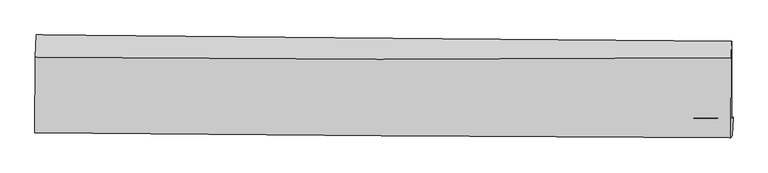
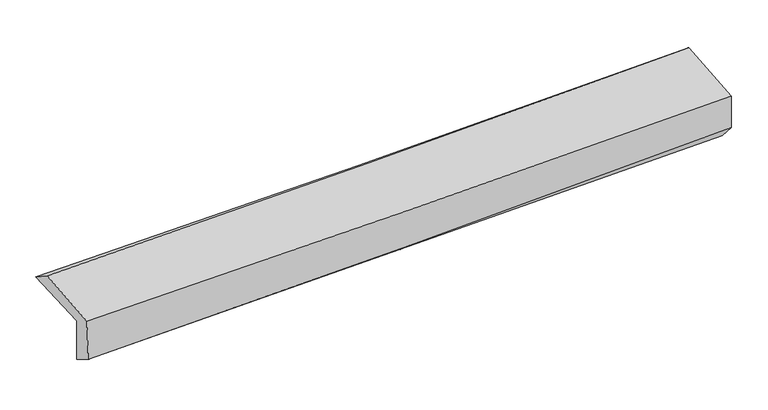
"""IFC4 building model written with IfcOpenShell, lengths in millimetres: proxy geometry."""

from ifc_helpers import new_model, si_unit, frame, origin, place, context, project, spatial, source, transform, mapped, element, save
from ifc_brep_helpers import plane_surface, spline_curve, spline_surface, advanced_brep


def generic_models_335ae71f(model_context):
    return source(origin(), model_context, "Body", "AdvancedBrep", [
        advanced_brep(
        [(-3026.0895795, -1767.4856939, 1953.3907109), (-3021.2313658, -1095.342239, 1979.1087942), (3008.6251064, -1152.2074647, 2132.9099513), (3004.7849577, -1816.5717253, 2098.4055173), (-3011.8319438, -1739.9226091, 1549.596919), (3018.5311803, -1810.2349225, 1704.5011752), (-3017.8334374, -1939.4281243, 1673.2653203), (3011.0463846, -1970.5868074, 1884.7531956), (-3031.102217, -1943.0639019, 2054.478364), (2999.5932631, -1987.4346544, 2210.4240664), (-3027.4553079, -1289.3915885, 2110.5276321), (3002.6161112, -1293.7064435, 2274.836599)],
        [
            (0, 1),
            (1, 2, spline_curve(3, [(-3021.2313658, -1095.342239, 1979.1087942), (-2016.128617603, -1105.601913981, 2001.925415698), (-1011.053657373, -1115.470827988, 2026.151495845), (998.898492375, -1134.425792425, 2077.41894699), (2003.775689071, -1143.511953847, 2104.459919251), (3008.6251064, -1152.2074647, 2132.9099513)], [4, 2, 4], [0.0, 9.89647850846393, 19.79155684420521])),
            (2, 3),
            (3, 0, spline_curve(3, [(3004.7849577, -1816.5717253, 2098.4055173), (1999.896314301, -1804.545491499, 2068.589307078), (994.91467604, -1794.442025223, 2041.597289995), (-1015.376809845, -1778.079470393, 1993.258222011), (-2020.686683975, -1771.820926142, 1971.911970099), (-3026.0895795, -1767.4856939, 1953.3907109)], [4, 2, 4], [0.0, 9.89507833574128, 19.79155684420521])),
            (4, 0),
            (3, 5),
            (5, 4, spline_curve(3, [(3018.5311803, -1810.2349225, 1704.5011752), (2013.901956037, -1801.584505436, 1666.318000737), (1009.092648398, -1791.400460516, 1634.318201387), (-1001.028342341, -1767.963457011, 1582.681699339), (-2006.340075885, -1754.710064047, 1563.046746857), (-3011.8319438, -1739.9226091, 1549.596919)], [4, 2, 4], [0.0, 9.895707396191058, 19.792815054118037])),
            (6, 4),
            (5, 7),
            (7, 6, spline_curve(3, [(3011.0463846, -1970.5868074, 1884.7531956), (2006.812684365, -1964.948054268, 1833.836901953), (1002.324743818, -1959.532288959, 1790.755458256), (-1007.30179178, -1949.145998052, 1720.257282082), (-2012.440458169, -1944.175535958, 1692.842767624), (-3017.8334374, -1939.4281243, 1673.2653203)], [4, 2, 4], [0.0, 9.895567212787926, 19.79253466747555])),
            (8, 6),
            (7, 9),
            (9, 8, spline_curve(3, [(2999.5932631, -1987.4346544, 2210.4240664), (1994.700355869, -1981.684139047, 2178.467760509), (989.731504634, -1975.11163837, 2149.494840835), (-1020.500300417, -1960.321619896, 2097.512095596), (-2025.763276244, -1952.103869896, 2074.503114492), (-3031.102217, -1943.0639019, 2054.478364)], [4, 2, 4], [0.0, 9.895610981566545, 19.792622211226153])),
            (10, 8),
            (9, 11),
            (11, 10, spline_curve(3, [(3002.6161112, -1293.7064435, 2274.836599), (1997.752566183, -1301.569305844, 2242.398012934), (992.850394945, -1305.141495124, 2212.487095795), (-1017.173400211, -1303.704424209, 2157.716724623), (-2022.295035614, -1298.693950363, 2132.857986333), (-3027.4553079, -1289.3915885, 2110.5276321)], [4, 2, 4], [0.0, 9.895310253250504, 19.792020712040433])),
            (1, 10),
            (11, 2),
        ],
        [
            spline_surface(3, 3, [[(-3026.0895795, -1767.4856939, 1953.3907109), (-2020.686684123, -1771.820926268, 1971.91197026), (-1015.376809947, -1778.079470473, 1993.258221958), (994.914676143, -1794.442025142, 2041.597290048), (1999.896314347, -1804.545491377, 2068.589307198), (3004.7849577, -1816.5717253, 2098.4055173)], [(-3024.470174927, -1543.437875613, 1961.96340533), (-2019.167328646, -1549.74792219, 1981.916452039), (-1013.935759065, -1557.209922952, 2004.222646598), (996.242614843, -1574.436614292, 2053.53784238), (2001.189439307, -1584.200978892, 2080.546177864), (3006.065007269, -1595.116971779, 2109.90699532)], [(-3022.850770373, -1319.390057287, 1970.53609977), (-2017.647973189, -1327.674918073, 1991.920933828), (-1012.494708153, -1336.340375387, 2015.187071195), (997.570553573, -1354.431203398, 2065.478394668), (2002.48256426, -1363.856466372, 2092.503048471), (3007.345056831, -1373.662218221, 2121.40847328)], [(-3021.2313658, -1095.342239, 1979.1087942), (-2016.128617712, -1105.601913996, 2001.925415607), (-1011.053657271, -1115.470827866, 2026.151495835), (998.898492273, -1134.425792547, 2077.418947), (2003.77568922, -1143.511953887, 2104.459919138), (3008.6251064, -1152.2074647, 2132.9099513)]], [4, 4], [4, 2, 4], [0.0, 2.172629687825262], [0.0, 9.89647850846393, 19.79155684420521]),
            spline_surface(3, 3, [[(-3011.8319438, -1739.9226091, 1549.596919), (-2006.34007577, -1754.710064007, 1563.046746693), (-1001.028342182, -1767.963456896, 1582.681699316), (1009.092648239, -1791.400460631, 1634.31820141), (2013.901955973, -1801.584505565, 1666.318000885), (3018.5311803, -1810.2349225, 1704.5011752)], [(-3016.584489039, -1749.110304022, 1684.194849638), (-2011.12227856, -1760.413684749, 1699.335154554), (-1005.811164769, -1771.335461418, 1719.540540181), (1004.366657541, -1792.414315465, 1770.077897607), (2009.233408747, -1802.571500849, 1800.408436319), (3013.949106082, -1812.347190113, 1835.802622564)], [(-3021.337034261, -1758.297998978, 1818.792780262), (-2015.904481333, -1766.117305526, 1835.6235624), (-1010.59398736, -1774.707465951, 1856.399381093), (999.640666841, -1793.428170308, 1905.837593851), (2004.564861574, -1803.558496093, 1934.498871763), (3009.367031918, -1814.459457687, 1967.104069936)], [(-3026.0895795, -1767.4856939, 1953.3907109), (-2020.686684123, -1771.820926268, 1971.91197026), (-1015.376809947, -1778.079470473, 1993.258221958), (994.914676143, -1794.442025142, 2041.597290048), (1999.896314347, -1804.545491377, 2068.589307198), (3004.7849577, -1816.5717253, 2098.4055173)]], [4, 4], [4, 2, 4], [0.0, 1.342616806948494], [0.0, 9.897107657926979, 19.792815054118037]),
            spline_surface(3, 3, [[(-3017.8334374, -1939.4281243, 1673.2653203), (-2012.440458289, -1944.175535929, 1692.842767719), (-1007.301791678, -1949.145998091, 1720.25728223), (1002.324743716, -1959.532288921, 1790.755458109), (2006.812684405, -1964.948054421, 1833.836902039), (3011.0463846, -1970.5868074, 1884.7531956)], [(-3015.832939535, -1872.926285906, 1632.042519879), (-2010.406997451, -1881.020378628, 1649.57742739), (-1005.210641852, -1888.751817686, 1674.398754598), (1004.580711884, -1903.488346151, 1738.609705883), (2009.175774932, -1910.493538112, 1777.997268321), (3013.541316505, -1917.136179076, 1824.669188801)], [(-3013.832441665, -1806.424447494, 1590.819719421), (-2008.373536608, -1817.865221308, 1606.312087022), (-1003.119492007, -1828.357637301, 1628.540226947), (1006.836680071, -1847.444403401, 1686.463953636), (2011.538865446, -1856.039021875, 1722.157634602), (3016.036248395, -1863.685550824, 1764.585181999)], [(-3011.8319438, -1739.9226091, 1549.596919), (-2006.34007577, -1754.710064007, 1563.046746693), (-1001.028342182, -1767.963456896, 1582.681699316), (1009.092648239, -1791.400460631, 1634.31820141), (2013.901955973, -1801.584505565, 1666.318000885), (3018.5311803, -1810.2349225, 1704.5011752)]], [4, 4], [4, 2, 4], [0.0, 0.7492857157283837], [0.0, 9.896967454687625, 19.79253466747555]),
            spline_surface(3, 3, [[(-3031.102217, -1943.0639019, 2054.478364), (-2025.763276167, -1952.103869893, 2074.503114646), (-1020.500300497, -1960.321620043, 2097.512095637), (989.731504715, -1975.111638223, 2149.494840794), (1994.700355733, -1981.684138929, 2178.467760628), (2999.5932631, -1987.4346544, 2210.4240664)], [(-3026.679290481, -1941.851976011, 1927.407349411), (-2021.322336888, -1949.461091883, 1947.282998981), (-1016.100797559, -1956.596412731, 1971.760491152), (993.929251047, -1969.918521794, 2029.91504655), (1998.737798619, -1976.105444101, 2063.590807751), (3003.410970263, -1981.818705408, 2101.867109453)], [(-3022.256363919, -1940.640050189, 1800.336334889), (-2016.881397568, -1946.818313939, 1820.062883384), (-1011.701294616, -1952.871205403, 1846.008886715), (998.126997384, -1964.72540535, 1910.335252353), (2002.775241518, -1970.526749249, 1948.713854915), (3007.228677437, -1976.202756392, 1993.310152547)], [(-3017.8334374, -1939.4281243, 1673.2653203), (-2012.440458289, -1944.175535929, 1692.842767719), (-1007.301791678, -1949.145998091, 1720.25728223), (1002.324743716, -1959.532288921, 1790.755458109), (2006.812684405, -1964.948054421, 1833.836902039), (3011.0463846, -1970.5868074, 1884.7531956)]], [4, 4], [4, 2, 4], [0.0, 1.208881908481442], [0.0, 9.897011229659608, 19.792622211226153]),
            spline_surface(3, 3, [[(-3027.4553079, -1289.3915885, 2110.5276321), (-2022.295035574, -1298.693950328, 2132.857986206), (-1017.173400354, -1303.704424346, 2157.716724687), (992.850395087, -1305.141494987, 2212.487095731), (1997.75256622, -1301.569305961, 2242.398012844), (3002.6161112, -1293.7064435, 2274.836599)], [(-3028.67094425, -1507.282359649, 2091.844542759), (-2023.451115755, -1516.497256865, 2113.406362379), (-1018.282367076, -1522.576822928, 2137.648515024), (991.810764956, -1528.464876082, 2191.489677439), (1996.735162741, -1528.274250284, 2221.087928766), (3001.608495184, -1524.949180467, 2253.365754793)], [(-3029.88658065, -1725.173130751, 2073.161453341), (-2024.607195987, -1734.300563356, 2093.954738473), (-1019.391333775, -1741.449221461, 2117.5803053), (990.771134847, -1751.788257128, 2170.492259086), (1995.717759212, -1754.979194606, 2199.777844707), (3000.600879116, -1756.191917433, 2231.894910607)], [(-3031.102217, -1943.0639019, 2054.478364), (-2025.763276167, -1952.103869893, 2074.503114646), (-1020.500300497, -1960.321620043, 2097.512095637), (989.731504715, -1975.111638223, 2149.494840794), (1994.700355733, -1981.684138929, 2178.467760628), (2999.5932631, -1987.4346544, 2210.4240664)]], [4, 4], [4, 2, 4], [0.0, 2.1855466339870775], [0.0, 9.89671045878993, 19.792020712040433]),
            spline_surface(3, 3, [[(-3021.2313658, -1095.342239, 1979.1087942), (-2016.128617712, -1105.601913996, 2001.925415607), (-1011.053657271, -1115.470827866, 2026.151495835), (998.898492273, -1134.425792547, 2077.418947), (2003.77568922, -1143.511953887, 2104.459919138), (3008.6251064, -1152.2074647, 2132.9099513)], [(-3023.306013169, -1160.025355498, 2022.915073483), (-2018.184090335, -1169.965926105, 2045.56960579), (-1013.093571607, -1178.21536, 2070.006572109), (996.882459902, -1191.331026668, 2122.441663234), (2001.767981552, -1196.197737902, 2150.439283709), (3006.622107998, -1199.373790957, 2180.218833869)], [(-3025.380660531, -1224.708472002, 2066.721352817), (-2020.239562951, -1234.329938219, 2089.213796024), (-1015.133486017, -1240.959892211, 2113.861648413), (994.866427458, -1248.236260866, 2167.464379497), (1999.760273889, -1248.883521946, 2196.418648273), (3004.619109602, -1246.540117243, 2227.527716431)], [(-3027.4553079, -1289.3915885, 2110.5276321), (-2022.295035574, -1298.693950328, 2132.857986206), (-1017.173400354, -1303.704424346, 2157.716724687), (992.850395087, -1305.141494987, 2212.487095731), (1997.75256622, -1301.569305961, 2242.398012844), (3002.6161112, -1293.7064435, 2274.836599)]], [4, 4], [4, 2, 4], [0.0, 0.7337786169317293], [0.0, 9.895995031393085, 19.790589958466782]),
            plane_surface(frame((3007.5328339, -1671.7903363, 2050.9717508), z_axis=(0.9993671639554793, -0.007581476378801974, 0.03475331384918708), x_axis=(0.03509917449430834, 0.05163182120254425, -0.9980491986816716))),
            plane_surface(frame((-3022.5906419, -1629.1056928, 1886.7279567), z_axis=(-0.9993610878862317, 0.008551154826077014, -0.034702936042767606), x_axis=(-0.0072224681380479334, -0.999242718993769, -0.038233813463145826))),
        ],
        [
            (0, [[1, 2, 3, 4]]),
            (1, [[5, -4, 6, 7]]),
            (2, [[8, -7, 9, 10]]),
            (3, [[11, -10, 12, 13]]),
            (4, [[14, -13, 15, 16]]),
            (5, [[17, -16, 18, -2]]),
            (6, [[-12, -9, -6, -3, -18, -15]]),
            (7, [[-1, -5, -8, -11, -14, -17]]),
        ],
    ),
    ])


if __name__ == "__main__":
    model = new_model("IFC4")
    model_context = context("Model", 3, world=origin())
    ifc_project = project(units=[si_unit("LENGTHUNIT", "METRE", prefix="MILLI")], contexts=[model_context])
    site = spatial("IfcSite", under=ifc_project)
    building = spatial("IfcBuilding", under=site)
    placement = place(None, origin())
    generic_models_shape = generic_models_335ae71f(model_context)
    element("IfcBuildingElementProxy", 1, Name="Generic Models", at=placement, inside=building, context=model_context, shape_type="MappedRepresentation", body=[
        mapped(generic_models_shape, transform((0.0, 0.0, 0.0), x_axis=(1.0, 0.0, 0.0), y_axis=(0.0, 1.0, 0.0), z_axis=(0.0, 0.0, 1.0))),
    ])
    save(model, "model.ifc")
